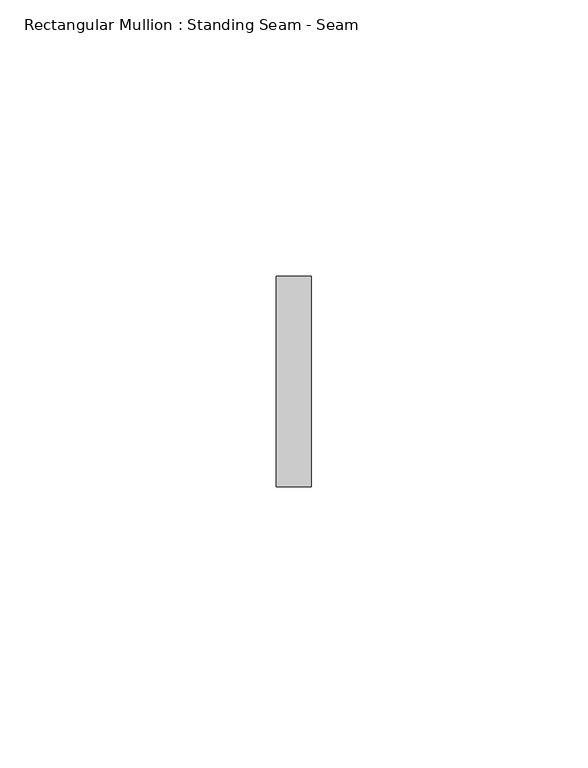
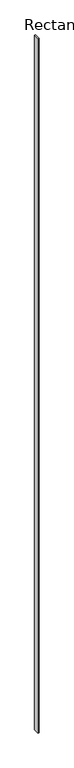
"""IFC4 building model written with IfcOpenShell, lengths in millimetres: member geometry, Rectangular Mullion : Standing Seam - Seam."""

from ifc_helpers import new_model, si_unit, frame, origin, place, context, project, spatial, polyline, outline, extrude, source, transform, mapped, element, save


def rectangular_mullion_standing_seam_seam_a5f1a59a(model_context):
    return source(origin(), model_context, "Body", "SweptSolid", [
        extrude(outline(polyline([(3.175, 41.275), (3.175, 3.175), (-3.175, 3.175), (-3.175, 41.275), (3.175, 41.275)])), frame((0.0, 0.0, -4880.2912566), z_axis=(0.0, 0.0, 1.0), x_axis=(1.0, 0.0, 0.0)), (0.0, 0.0, 1.0), 4880.2912566),
    ])


if __name__ == "__main__":
    model = new_model("IFC4")
    model_context = context("Model", 3, world=origin())
    ifc_project = project(units=[si_unit("LENGTHUNIT", "METRE", prefix="MILLI")], contexts=[model_context])
    site = spatial("IfcSite", under=ifc_project)
    building = spatial("IfcBuilding", under=site)
    placement = place(None, origin())
    rectangular_mullion_standing_seam_seam_shape = rectangular_mullion_standing_seam_seam_a5f1a59a(model_context)
    element("IfcMember", 1, ObjectType="Rectangular Mullion : Standing Seam - Seam", at=placement, inside=building, context=model_context, shape_type="MappedRepresentation", body=[
        mapped(rectangular_mullion_standing_seam_seam_shape, transform((0.0, 0.0, 0.0), x_axis=(1.0, 0.0, 0.0), y_axis=(0.0, 1.0, 0.0), z_axis=(0.0, 0.0, 1.0))),
    ])
    save(model, "model.ifc")
